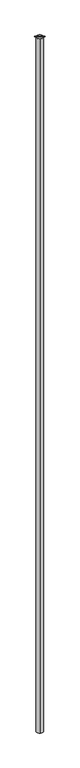
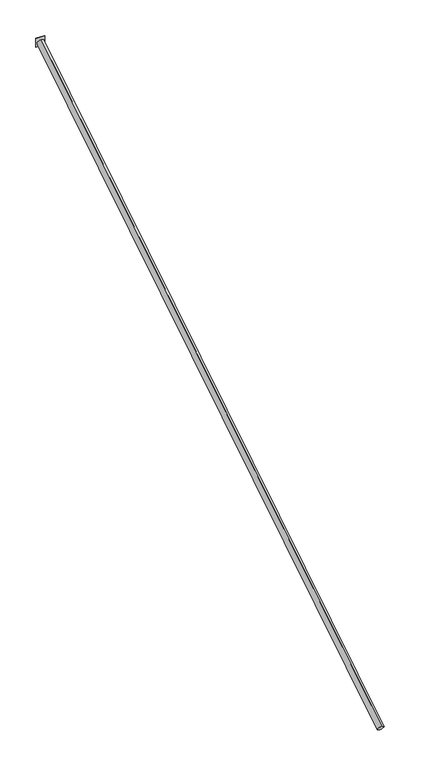
"""IFC4 building model written with IfcOpenShell, lengths in millimetres: proxy geometry."""

from ifc_helpers import new_model, si_unit, point, frame, origin, origin_2d, place, context, project, spatial, polyline, circle_curve, trimmed, segment, composite_curve, outline, extrude, source, transform, mapped, element, save


def generic_models_57a39184(model_context):
    return source(origin(), model_context, "Body", "SweptSolid", [
        extrude(outline(polyline([(101.6, 0.0), (-101.6, 0.0), (-101.6, 12.7), (101.6, 12.7), (101.6, 0.0)])), frame((0.0, 0.0, -101.6), z_axis=(0.0, 0.0, 1.0), x_axis=(1.0, 0.0, 0.0)), (0.0, 0.0, 1.0), 203.2),
        extrude(outline(composite_curve([segment(trimmed(circle_curve(origin_2d(), 76.2), [point((0.0, -76.2))], [point((0.0, 76.2))], False, "CARTESIAN"), True, "CONTINUOUS"), segment(trimmed(circle_curve(origin_2d(), 76.2), [point((0.0, 76.2))], [point((0.0, -76.2))], False, "CARTESIAN"), True, "CONTINUOUS")], self_intersect=False)), frame((0.0, -13699.7081645, -8560.5277621), z_axis=(0.0, 0.8480480961564227, 0.5299192642332102), x_axis=(1.0, 0.0, 0.0)), (0.0, 0.0, 1.0), 16154.4),
    ])


if __name__ == "__main__":
    model = new_model("IFC4")
    model_context = context("Model", 3, world=origin())
    ifc_project = project(units=[si_unit("LENGTHUNIT", "METRE", prefix="MILLI")], contexts=[model_context])
    site = spatial("IfcSite", under=ifc_project)
    building = spatial("IfcBuilding", under=site)
    placement = place(None, origin())
    generic_models_shape = generic_models_57a39184(model_context)
    element("IfcBuildingElementProxy", 1, Name="Generic Models", at=placement, inside=building, context=model_context, shape_type="MappedRepresentation", body=[
        mapped(generic_models_shape, transform((0.0, 0.0, 0.0), x_axis=(1.0, 0.0, 0.0), y_axis=(0.0, 1.0, 0.0), z_axis=(0.0, 0.0, 1.0))),
    ])
    save(model, "model.ifc")
